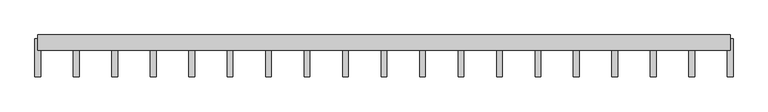
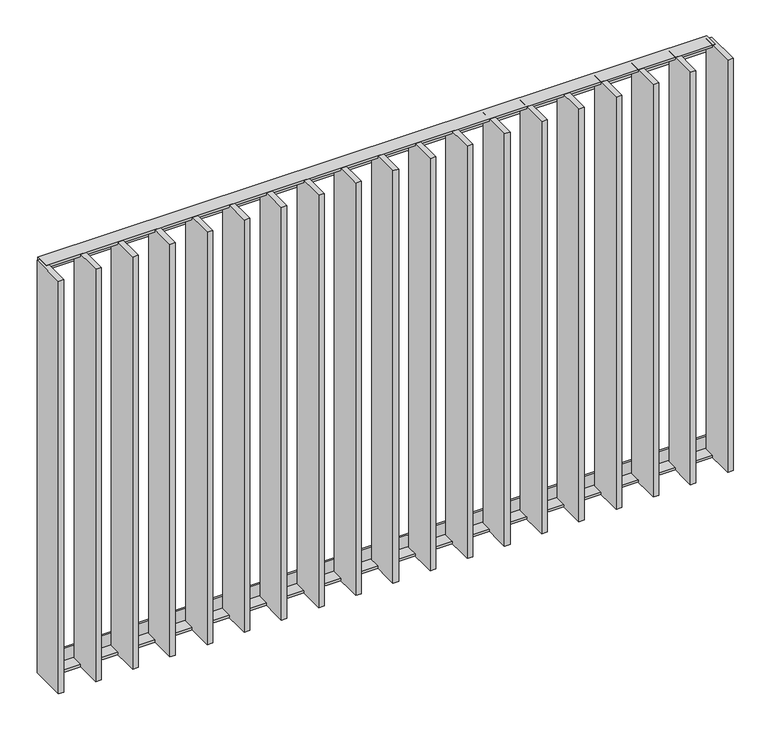
"""IFC4 building model written with IfcOpenShell, lengths in millimetres: railing geometry."""

from ifc_helpers import new_model, si_unit, frame, origin, place, context, project, spatial, polyline, outline, extrude, source, transform, mapped, element, save


def railing_aef2fd85(model_context):
    return source(origin(), model_context, "Body", "SweptSolid", [
        extrude(outline(polyline([(-14.0, 6.0), (20.0, 6.0), (20.0, 0.0), (-20.0, 0.0), (-20.0, 40.0), (-14.0, 40.0), (-14.0, 6.0)])), frame((57255.9325551, 6059.4012767, 8000.0), z_axis=(1.0, -2.551019579731598e-12, 0.0), x_axis=(-2.551019579731598e-12, -1.0, 0.0)), (0.0, 0.0, 1.0), 1810.0),
        extrude(outline(polyline([(-14.0, -6.0), (-14.0, -40.0), (-20.0, -40.0), (-20.0, 0.0), (20.0, 0.0), (20.0, -6.0), (-14.0, -6.0)])), frame((57255.9325551, 6059.4012767, 6820.0), z_axis=(1.0, -2.551019579731598e-12, 0.0), x_axis=(-2.551019579731598e-12, -1.0, 0.0)), (0.0, 0.0, 1.0), 1810.0),
        extrude(outline(polyline([(57363.9881106, 6069.4012767), (57363.9881106, 5969.4012767), (57348.9881106, 5969.4012767), (57348.9881106, 6069.4012767), (57363.9881106, 6069.4012767)])), frame((0.0, 0.0, 6819.9), z_axis=(0.0, 0.0, 1.0), x_axis=(1.0, 0.0, 0.0)), (0.0, 0.0, 1.0), 1180.2),
        extrude(outline(polyline([(57464.5436662, 6069.4012767), (57464.5436662, 5969.4012767), (57449.5436662, 5969.4012767), (57449.5436662, 6069.4012767), (57464.5436662, 6069.4012767)])), frame((0.0, 0.0, 6819.9), z_axis=(0.0, 0.0, 1.0), x_axis=(1.0, 0.0, 0.0)), (0.0, 0.0, 1.0), 1180.2),
        extrude(outline(polyline([(57565.0992217, 6069.4012767), (57565.0992217, 5969.4012767), (57550.0992217, 5969.4012767), (57550.0992217, 6069.4012767), (57565.0992217, 6069.4012767)])), frame((0.0, 0.0, 6819.9), z_axis=(0.0, 0.0, 1.0), x_axis=(1.0, 0.0, 0.0)), (0.0, 0.0, 1.0), 1180.2),
        extrude(outline(polyline([(57665.6547773, 6069.4012767), (57665.6547773, 5969.4012767), (57650.6547773, 5969.4012767), (57650.6547773, 6069.4012767), (57665.6547773, 6069.4012767)])), frame((0.0, 0.0, 6819.9), z_axis=(0.0, 0.0, 1.0), x_axis=(1.0, 0.0, 0.0)), (0.0, 0.0, 1.0), 1180.2),
        extrude(outline(polyline([(57766.2103329, 6069.4012767), (57766.2103329, 5969.4012767), (57751.2103329, 5969.4012767), (57751.2103329, 6069.4012767), (57766.2103329, 6069.4012767)])), frame((0.0, 0.0, 6819.9), z_axis=(0.0, 0.0, 1.0), x_axis=(1.0, 0.0, 0.0)), (0.0, 0.0, 1.0), 1180.2),
        extrude(outline(polyline([(57866.7658884, 6069.4012767), (57866.7658884, 5969.4012767), (57851.7658884, 5969.4012767), (57851.7658884, 6069.4012767), (57866.7658884, 6069.4012767)])), frame((0.0, 0.0, 6819.9), z_axis=(0.0, 0.0, 1.0), x_axis=(1.0, 0.0, 0.0)), (0.0, 0.0, 1.0), 1180.2),
        extrude(outline(polyline([(57967.321444, 6069.4012767), (57967.321444, 5969.4012767), (57952.321444, 5969.4012767), (57952.321444, 6069.4012767), (57967.321444, 6069.4012767)])), frame((0.0, 0.0, 6819.9), z_axis=(0.0, 0.0, 1.0), x_axis=(1.0, 0.0, 0.0)), (0.0, 0.0, 1.0), 1180.2),
        extrude(outline(polyline([(58067.8769995, 6069.4012767), (58067.8769995, 5969.4012767), (58052.8769995, 5969.4012767), (58052.8769995, 6069.4012767), (58067.8769995, 6069.4012767)])), frame((0.0, 0.0, 6819.9), z_axis=(0.0, 0.0, 1.0), x_axis=(1.0, 0.0, 0.0)), (0.0, 0.0, 1.0), 1180.2),
        extrude(outline(polyline([(58168.4325551, 6069.4012767), (58168.4325551, 5969.4012767), (58153.4325551, 5969.4012767), (58153.4325551, 6069.4012767), (58168.4325551, 6069.4012767)])), frame((0.0, 0.0, 6819.9), z_axis=(0.0, 0.0, 1.0), x_axis=(1.0, 0.0, 0.0)), (0.0, 0.0, 1.0), 1180.2),
        extrude(outline(polyline([(58268.9881106, 6069.4012767), (58268.9881106, 5969.4012767), (58253.9881106, 5969.4012767), (58253.9881106, 6069.4012767), (58268.9881106, 6069.4012767)])), frame((0.0, 0.0, 6819.9), z_axis=(0.0, 0.0, 1.0), x_axis=(1.0, 0.0, 0.0)), (0.0, 0.0, 1.0), 1180.2),
        extrude(outline(polyline([(58369.5436662, 6069.4012767), (58369.5436662, 5969.4012767), (58354.5436662, 5969.4012767), (58354.5436662, 6069.4012767), (58369.5436662, 6069.4012767)])), frame((0.0, 0.0, 6819.9), z_axis=(0.0, 0.0, 1.0), x_axis=(1.0, 0.0, 0.0)), (0.0, 0.0, 1.0), 1180.2),
        extrude(outline(polyline([(58470.0992217, 6069.4012767), (58470.0992217, 5969.4012767), (58455.0992217, 5969.4012767), (58455.0992217, 6069.4012767), (58470.0992217, 6069.4012767)])), frame((0.0, 0.0, 6819.9), z_axis=(0.0, 0.0, 1.0), x_axis=(1.0, 0.0, 0.0)), (0.0, 0.0, 1.0), 1180.2),
        extrude(outline(polyline([(58570.6547773, 6069.4012767), (58570.6547773, 5969.4012767), (58555.6547773, 5969.4012767), (58555.6547773, 6069.4012767), (58570.6547773, 6069.4012767)])), frame((0.0, 0.0, 6819.9), z_axis=(0.0, 0.0, 1.0), x_axis=(1.0, 0.0, 0.0)), (0.0, 0.0, 1.0), 1180.2),
        extrude(outline(polyline([(58671.2103329, 6069.4012767), (58671.2103329, 5969.4012767), (58656.2103329, 5969.4012767), (58656.2103329, 6069.4012767), (58671.2103329, 6069.4012767)])), frame((0.0, 0.0, 6819.9), z_axis=(0.0, 0.0, 1.0), x_axis=(1.0, 0.0, 0.0)), (0.0, 0.0, 1.0), 1180.2),
        extrude(outline(polyline([(58771.7658884, 6069.4012767), (58771.7658884, 5969.4012767), (58756.7658884, 5969.4012767), (58756.7658884, 6069.4012767), (58771.7658884, 6069.4012767)])), frame((0.0, 0.0, 6819.9), z_axis=(0.0, 0.0, 1.0), x_axis=(1.0, 0.0, 0.0)), (0.0, 0.0, 1.0), 1180.2),
        extrude(outline(polyline([(58872.321444, 6069.4012767), (58872.321444, 5969.4012767), (58857.321444, 5969.4012767), (58857.321444, 6069.4012767), (58872.321444, 6069.4012767)])), frame((0.0, 0.0, 6819.9), z_axis=(0.0, 0.0, 1.0), x_axis=(1.0, 0.0, 0.0)), (0.0, 0.0, 1.0), 1180.2),
        extrude(outline(polyline([(58972.8769995, 6069.4012767), (58972.8769995, 5969.4012767), (58957.8769995, 5969.4012767), (58957.8769995, 6069.4012767), (58972.8769995, 6069.4012767)])), frame((0.0, 0.0, 6819.9), z_axis=(0.0, 0.0, 1.0), x_axis=(1.0, 0.0, 0.0)), (0.0, 0.0, 1.0), 1180.2),
        extrude(outline(polyline([(57263.4325551, 6069.4012767), (57263.4325551, 5969.4012767), (57248.4325551, 5969.4012767), (57248.4325551, 6069.4012767), (57263.4325551, 6069.4012767)])), frame((0.0, 0.0, 6819.9), z_axis=(0.0, 0.0, 1.0), x_axis=(1.0, 0.0, 0.0)), (0.0, 0.0, 1.0), 1180.2),
        extrude(outline(polyline([(59073.4325551, 6069.4012767), (59073.4325551, 5969.4012767), (59058.4325551, 5969.4012767), (59058.4325551, 6069.4012767), (59073.4325551, 6069.4012767)])), frame((0.0, 0.0, 6819.9), z_axis=(0.0, 0.0, 1.0), x_axis=(1.0, 0.0, 0.0)), (0.0, 0.0, 1.0), 1180.2),
    ])


if __name__ == "__main__":
    model = new_model("IFC4")
    model_context = context("Model", 3, world=origin())
    ifc_project = project(units=[si_unit("LENGTHUNIT", "METRE", prefix="MILLI")], contexts=[model_context])
    site = spatial("IfcSite", under=ifc_project)
    building = spatial("IfcBuilding", under=site)
    placement = place(None, origin())
    railing_shape = railing_aef2fd85(model_context)
    element("IfcRailing", 1, at=placement, inside=building, context=model_context, shape_type="MappedRepresentation", body=[
        mapped(railing_shape, transform((0.0, 0.0, 0.0), x_axis=(1.0, 0.0, 0.0), y_axis=(0.0, 1.0, 0.0), z_axis=(0.0, 0.0, 1.0))),
    ])
    save(model, "model.ifc")
